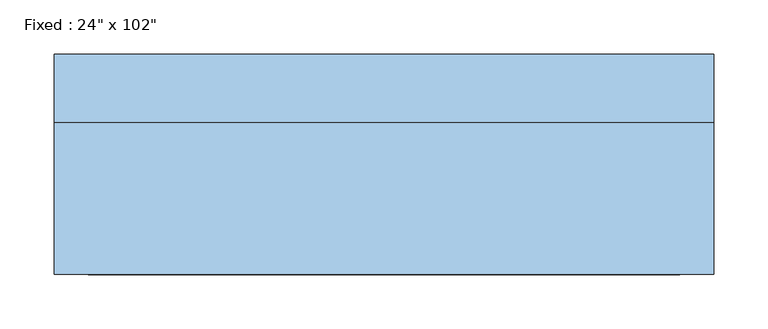
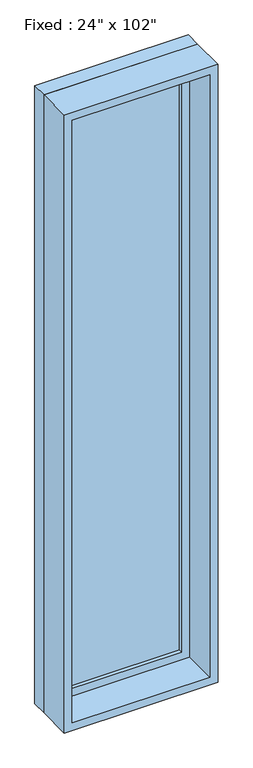
"""IFC4 building model written with IfcOpenShell, lengths in millimetres: window geometry."""

from ifc_helpers import new_model, si_unit, frame, origin, place, context, project, spatial, polyline, outline, extrude, source, transform, mapped, element, save


def window_3b05b445(model_context):
    return source(origin(), model_context, "Body", "SweptSolid", [
        extrude(outline(polyline([(203.2, 53.975), (-279.4, 53.975), (-279.4, 66.675), (203.2, 66.675), (203.2, 53.975)])), frame((0.0, 0.0, 368.3), z_axis=(0.0, 0.0, 1.0), x_axis=(1.0, 0.0, 0.0)), (0.0, 0.0, 1.0), 2463.8),
        extrude(outline(polyline([(2876.55, -323.85), (323.85, -323.85), (323.85, 247.65), (2876.55, 247.65), (2876.55, -323.85)]), holes=[polyline([(2832.1, -279.4), (2832.1, 203.2), (368.3, 203.2), (368.3, -279.4), (2832.1, -279.4)])]), frame((0.0, 38.1, 0.0), z_axis=(0.0, 1.0, 0.0), x_axis=(0.0, 0.0, 1.0)), (0.0, 0.0, 1.0), 44.45),
        extrude(outline(polyline([(2895.6, -342.9), (304.8, -342.9), (304.8, 266.7), (2895.6, 266.7), (2895.6, -342.9)]), holes=[polyline([(2863.85, -311.15), (2863.85, 234.95), (336.55, 234.95), (336.55, -311.15), (2863.85, -311.15)])]), frame((0.0, -101.6, 0.0), z_axis=(0.0, 1.0, 0.0), x_axis=(0.0, 0.0, 1.0)), (0.0, 0.0, 1.0), 139.7),
        extrude(outline(polyline([(2895.6, 266.7), (2895.6, -342.9), (304.8, -342.9), (304.8, 266.7), (2895.6, 266.7)]), holes=[polyline([(2876.55, 247.65), (323.85, 247.65), (323.85, -323.85), (2876.55, -323.85), (2876.55, 247.65)])]), frame((0.0, 38.1, 0.0), z_axis=(0.0, 1.0, 0.0), x_axis=(0.0, 0.0, 1.0)), (0.0, 0.0, 1.0), 63.5),
    ])


if __name__ == "__main__":
    model = new_model("IFC4")
    model_context = context("Model", 3, world=origin())
    ifc_project = project(units=[si_unit("LENGTHUNIT", "METRE", prefix="MILLI")], contexts=[model_context])
    site = spatial("IfcSite", under=ifc_project)
    building = spatial("IfcBuilding", under=site)
    placement = place(None, origin())
    window_shape = window_3b05b445(model_context)
    element("IfcWindow", 1, ObjectType="Fixed : 24\" x 102\"", at=placement, inside=building, context=model_context, shape_type="MappedRepresentation", body=[
        mapped(window_shape, transform((0.0, 0.0, 0.0), x_axis=(1.0, 0.0, 0.0), y_axis=(0.0, 1.0, 0.0), z_axis=(0.0, 0.0, 1.0))),
    ])
    save(model, "model.ifc")
